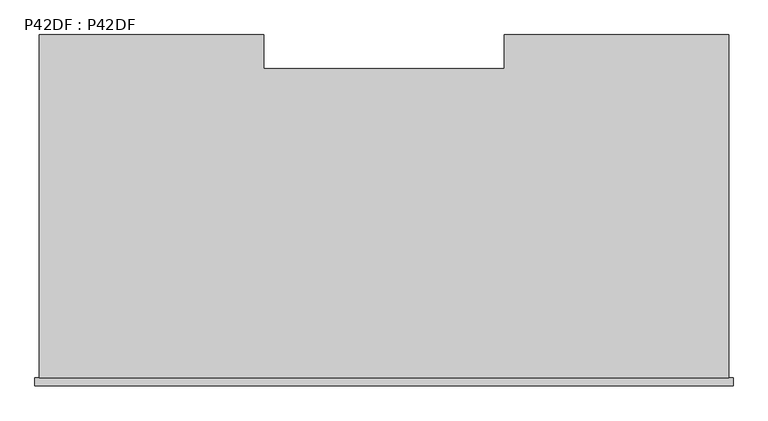
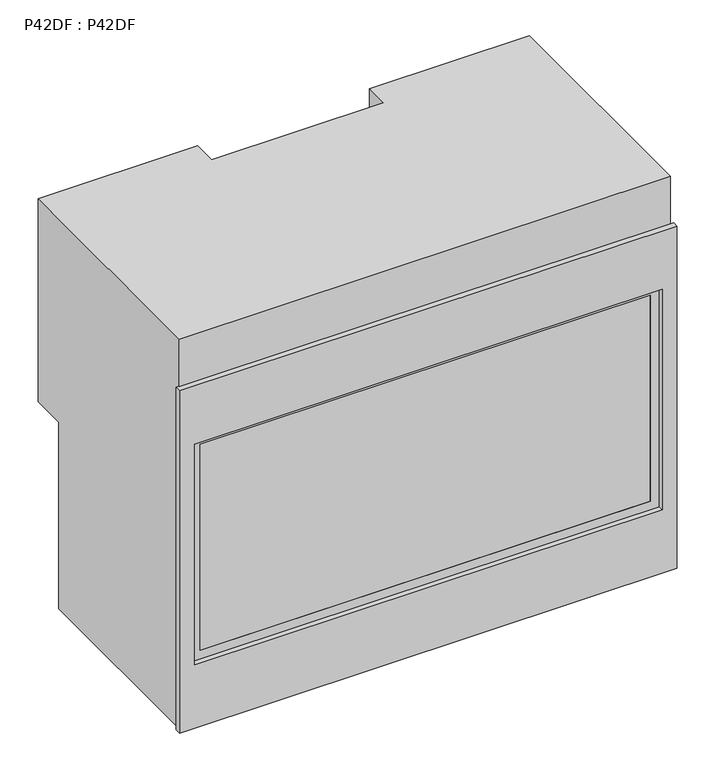
"""IFC4 building model written with IfcOpenShell, lengths in millimetres: proxy geometry, P42DF : P42DF."""

from ifc_helpers import new_model, si_unit, frame, origin, place, context, project, spatial, polyline, outline, extrude, faceted_brep, source, transform, mapped, element, save


def p42df_p42df_894cff4c(model_context):
    return source(origin(), model_context, "Body", "SolidModel", [
        faceted_brep([(527.0948564, 0.0, 883.10466), (527.0948564, 524.637, 883.10466), (184.1948564, 524.637, 883.10466), (184.1948564, 473.1639102, 883.10466), (-184.1948564, 473.1639102, 883.10466), (-184.1948564, 524.637, 883.10466), (-527.0948564, 524.637, 883.10466), (-527.0948564, 0.0, 883.10466), (-527.0948564, 524.637, 422.84396), (-184.1948564, 524.637, 422.84396), (-184.1948564, 473.1639102, 422.84396), (184.1948564, 473.1639102, 422.84396), (184.1948564, 524.637, 422.84396), (527.0948564, 524.637, 422.84396), (527.0948564, 447.7639102, 422.84396), (-527.0948564, 447.7639102, 422.84396), (-527.0948564, 0.0, 0.0), (527.0948564, 0.0, 0.0), (527.0948564, 447.7639102, 0.0), (-527.0948564, 447.7639102, 0.0)], [[[0, 1, 2, 3, 4, 5, 6, 7]], [[8, 9, 10, 11, 12, 13, 14, 15]], [[0, 7, 16, 17]], [[1, 0, 17, 18, 14, 13]], [[2, 1, 13, 12]], [[3, 2, 12, 11]], [[4, 3, 11, 10]], [[5, 4, 10, 9]], [[6, 5, 9, 8]], [[16, 7, 6, 8, 15, 19]], [[17, 16, 19, 18]], [[18, 19, 15, 14]]]),
        extrude(outline(polyline([(644.0756372, -501.65), (143.83766, -501.65), (143.83766, 501.65), (644.0756372, 501.65), (644.0756372, -501.65)]), holes=[polyline([(162.88766, -482.6), (629.61266, -482.6), (629.61266, 482.6), (162.88766, 482.6), (162.88766, -482.6)])]), frame((0.0, -1.5875, 0.0), z_axis=(0.0, 1.0, 0.0), x_axis=(0.0, 0.0, 1.0)), (0.0, 0.0, 1.0), 1.5875),
        extrude(outline(polyline([(482.6, -1.5875), (-482.6, -1.5875), (-482.6, 0.0), (482.6, 0.0), (482.6, -1.5875)])), frame((0.0, 0.0, 162.88766), z_axis=(0.0, 0.0, 1.0), x_axis=(1.0, 0.0, 0.0)), (0.0, 0.0, 1.0), 466.725),
        extrude(outline(polyline([(0.0, 533.781), (775.73886, 533.781), (775.73886, -533.8064), (0.0, -533.8064), (0.0, 533.781)]), holes=[polyline([(644.0756372, -501.65), (644.0756372, 501.65), (143.83766, 501.65), (143.83766, -501.65), (644.0756372, -501.65)])]), frame((0.0, -12.7, 0.0), z_axis=(0.0, 1.0, 0.0), x_axis=(0.0, 0.0, 1.0)), (0.0, 0.0, 1.0), 12.7),
    ])


if __name__ == "__main__":
    model = new_model("IFC4")
    model_context = context("Model", 3, world=origin())
    ifc_project = project(units=[si_unit("LENGTHUNIT", "METRE", prefix="MILLI")], contexts=[model_context])
    site = spatial("IfcSite", under=ifc_project)
    building = spatial("IfcBuilding", under=site)
    placement = place(None, origin())
    p42df_p42df_shape = p42df_p42df_894cff4c(model_context)
    element("IfcBuildingElementProxy", 1, Name="P42DF : P42DF", ObjectType="P42DF : P42DF", at=placement, inside=building, context=model_context, shape_type="MappedRepresentation", body=[
        mapped(p42df_p42df_shape, transform((0.0, 0.0, 0.0), x_axis=(1.0, 0.0, 0.0), y_axis=(0.0, 1.0, 0.0), z_axis=(0.0, 0.0, 1.0))),
    ])
    save(model, "model.ifc")
